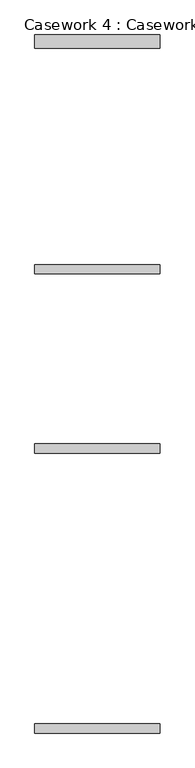
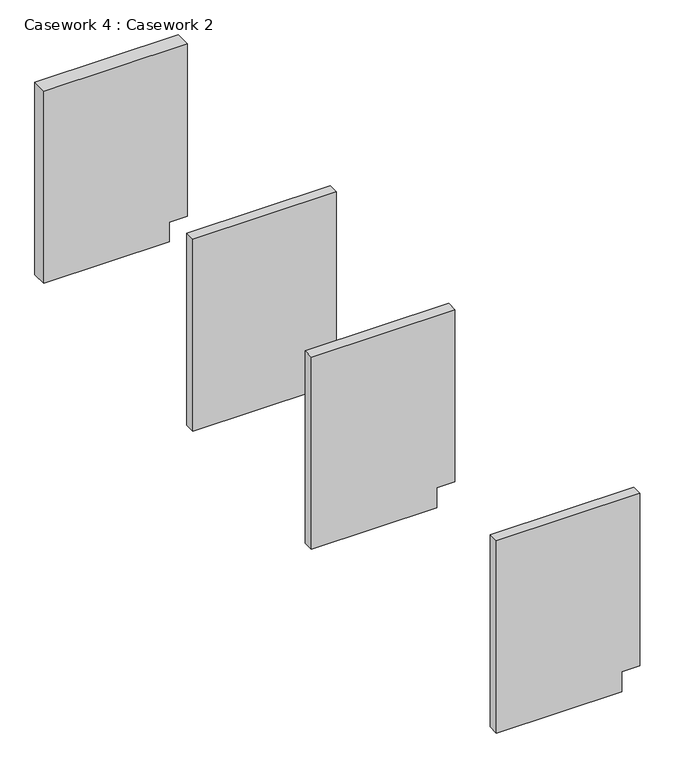
"""IFC4 building model written with IfcOpenShell, lengths in millimetres: furniture geometry, Casework 4 : Casework 2."""

from ifc_helpers import new_model, si_unit, frame, origin, place, context, project, spatial, polyline, outline, extrude, source, transform, mapped, element, save


def casework_4_casework_2_6e8818ea(model_context):
    return source(origin(), model_context, "Body", "SweptSolid", [
        extrude(outline(polyline([(0.0, 210140.3379676), (88.9, 210140.3379676), (88.9, 210216.5379676), (863.6, 210216.5379676), (863.6, 209606.9379676), (0.0, 209606.9379676), (0.0, 210140.3379676)])), frame((0.0, -262613.712228, 0.0), z_axis=(0.0, 1.0, 0.0), x_axis=(0.0, 0.0, 1.0)), (0.0, 0.0, 1.0), 45.1667057),
        extrude(outline(polyline([(0.0, 210140.3379676), (88.9, 210140.3379676), (88.9, 210216.5379676), (863.6, 210216.5379676), (863.6, 209606.9379676), (0.0, 209606.9379676), (0.0, 210140.3379676)])), frame((0.0, -261250.7935437, 0.0), z_axis=(0.0, 1.0, 0.0), x_axis=(0.0, 0.0, 1.0)), (0.0, 0.0, 1.0), 45.1667057),
        extrude(outline(polyline([(0.0, 210140.3379676), (88.9, 210140.3379676), (88.9, 210216.5379676), (863.6, 210216.5379676), (863.6, 209606.9379676), (0.0, 209606.9379676), (0.0, 210140.3379676)])), frame((0.0, -260378.512228, 0.0), z_axis=(0.0, 1.0, 0.0), x_axis=(0.0, 0.0, 1.0)), (0.0, 0.0, 1.0), 45.1667057),
        extrude(outline(polyline([(0.0, 210140.3379676), (88.9, 210140.3379676), (88.9, 210216.5379676), (863.6, 210216.5379676), (863.6, 209606.9379676), (0.0, 209606.9379676), (0.0, 210140.3379676)])), frame((0.0, -259280.7060437, 0.0), z_axis=(0.0, 1.0, 0.0), x_axis=(0.0, 0.0, 1.0)), (0.0, 0.0, 1.0), 64.9605213),
    ])


if __name__ == "__main__":
    model = new_model("IFC4")
    model_context = context("Model", 3, world=origin())
    ifc_project = project(units=[si_unit("LENGTHUNIT", "METRE", prefix="MILLI")], contexts=[model_context])
    site = spatial("IfcSite", under=ifc_project)
    building = spatial("IfcBuilding", under=site)
    placement = place(None, origin())
    casework_4_casework_2_shape = casework_4_casework_2_6e8818ea(model_context)
    element("IfcFurniture", 1, ObjectType="Casework 4 : Casework 2", at=placement, inside=building, context=model_context, shape_type="MappedRepresentation", body=[
        mapped(casework_4_casework_2_shape, transform((0.0, 0.0, 0.0), x_axis=(1.0, 0.0, 0.0), y_axis=(0.0, 1.0, 0.0), z_axis=(0.0, 0.0, 1.0))),
    ])
    save(model, "model.ifc")
